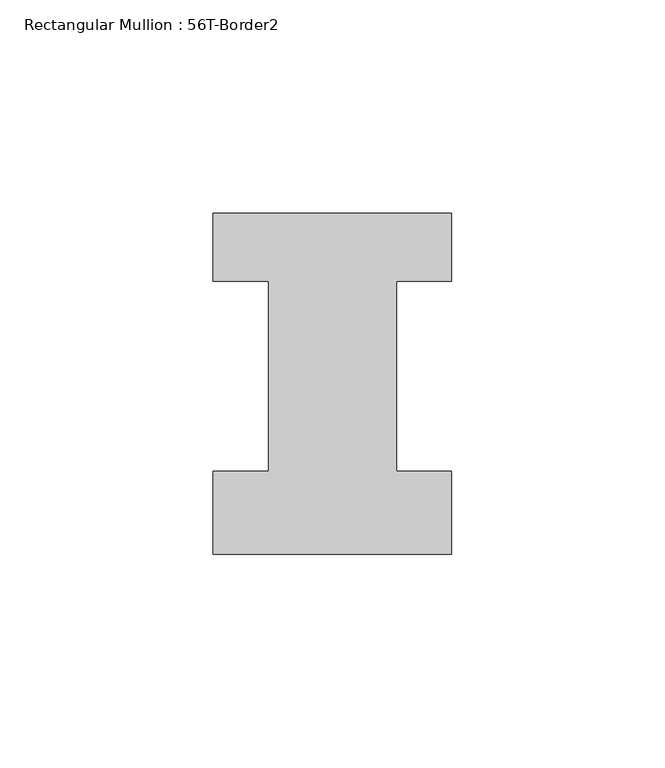
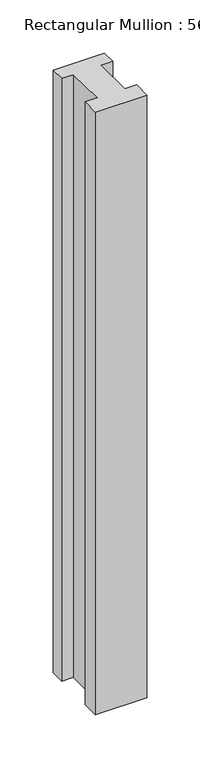
"""IFC4 building model written with IfcOpenShell, lengths in millimetres: member geometry, Rectangular Mullion : 56T-Border2."""

from ifc_helpers import new_model, si_unit, frame, origin, place, context, project, spatial, polyline, outline, extrude, source, transform, mapped, element, save


def rectangular_mullion_56t_border2_b140a8fc(model_context):
    return source(origin(), model_context, "Body", "SweptSolid", [
        extrude(outline(polyline([(0.0, -20.0), (-56.0, -20.0), (-56.0, -0.5), (-43.0, -0.5), (-43.0, 44.0), (-56.0, 44.0), (-56.0, 60.0), (0.0, 60.0), (0.0, 44.0), (-13.0, 44.0), (-13.0, -0.5), (0.0, -0.5), (0.0, -20.0)])), frame((0.0, 0.0, -694.0), z_axis=(0.0, 0.0, 1.0), x_axis=(1.0, 0.0, 0.0)), (0.0, 0.0, 1.0), 694.0),
    ])


if __name__ == "__main__":
    model = new_model("IFC4")
    model_context = context("Model", 3, world=origin())
    ifc_project = project(units=[si_unit("LENGTHUNIT", "METRE", prefix="MILLI")], contexts=[model_context])
    site = spatial("IfcSite", under=ifc_project)
    building = spatial("IfcBuilding", under=site)
    placement = place(None, origin())
    rectangular_mullion_56t_border2_shape = rectangular_mullion_56t_border2_b140a8fc(model_context)
    element("IfcMember", 1, ObjectType="Rectangular Mullion : 56T-Border2", at=placement, inside=building, context=model_context, shape_type="MappedRepresentation", body=[
        mapped(rectangular_mullion_56t_border2_shape, transform((0.0, 0.0, 0.0), x_axis=(1.0, 0.0, 0.0), y_axis=(0.0, 1.0, 0.0), z_axis=(0.0, 0.0, 1.0))),
    ])
    save(model, "model.ifc")
